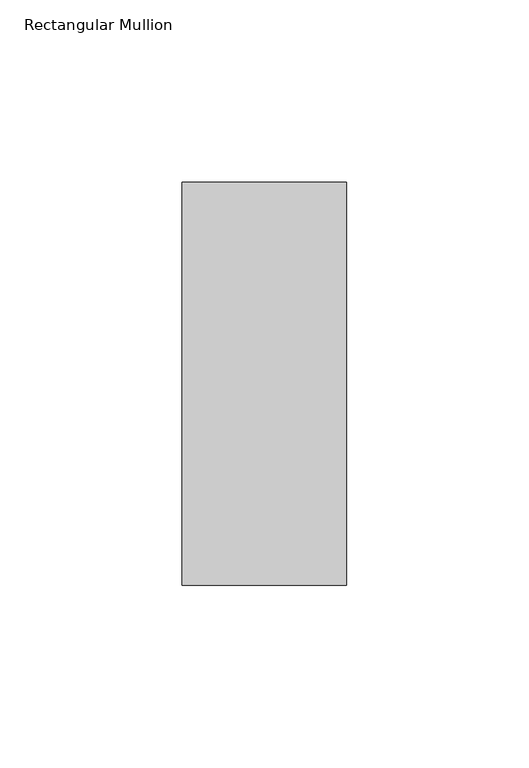
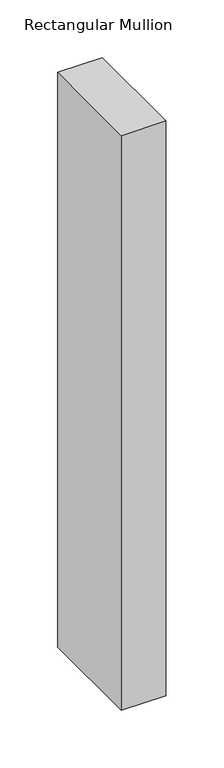
"""IFC4 building model written with IfcOpenShell, lengths in millimetres: member geometry, Rectangular Mullion."""

from ifc_helpers import new_model, si_unit, frame, origin, place, context, project, spatial, polyline, outline, extrude, source, transform, mapped, element, save


def rectangular_mullion_1ef305a4(model_context):
    return source(origin(), model_context, "Body", "SweptSolid", [
        extrude(outline(polyline([(0.0, -70.7), (-45.0, -70.7), (-45.0, 39.7), (0.0, 39.7), (0.0, -70.7)])), frame((0.0, 0.0, -609.6), z_axis=(0.0, 0.0, 1.0), x_axis=(1.0, 0.0, 0.0)), (0.0, 0.0, 1.0), 609.6),
    ])


if __name__ == "__main__":
    model = new_model("IFC4")
    model_context = context("Model", 3, world=origin())
    ifc_project = project(units=[si_unit("LENGTHUNIT", "METRE", prefix="MILLI")], contexts=[model_context])
    site = spatial("IfcSite", under=ifc_project)
    building = spatial("IfcBuilding", under=site)
    placement = place(None, origin())
    rectangular_mullion_shape = rectangular_mullion_1ef305a4(model_context)
    element("IfcMember", 1, ObjectType="Rectangular Mullion", at=placement, inside=building, context=model_context, shape_type="MappedRepresentation", body=[
        mapped(rectangular_mullion_shape, transform((0.0, 0.0, 0.0), x_axis=(1.0, 0.0, 0.0), y_axis=(0.0, 1.0, 0.0), z_axis=(0.0, 0.0, 1.0))),
    ])
    save(model, "model.ifc")
